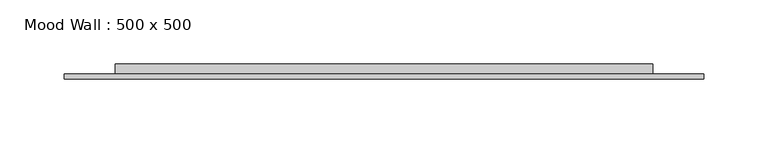
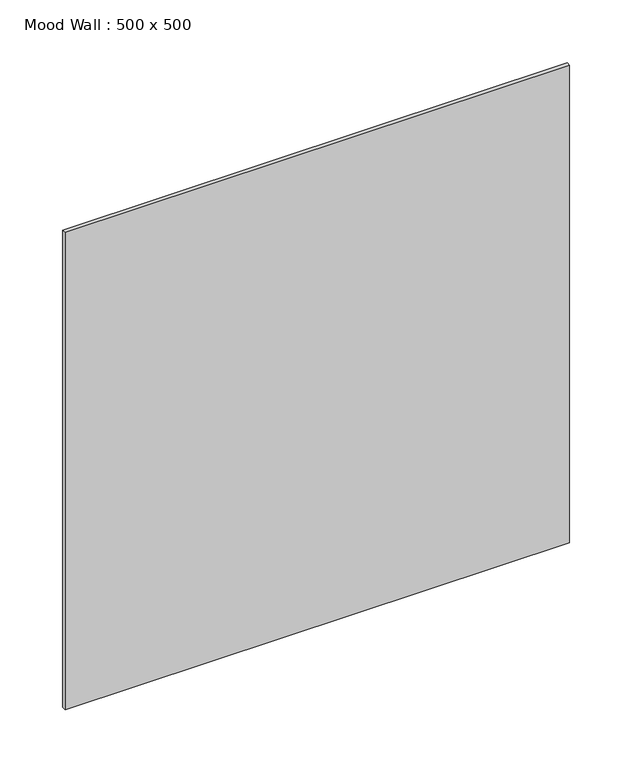
"""IFC4 building model written with IfcOpenShell, lengths in millimetres: furniture geometry, Mood Wall : 500 x 500."""

from ifc_helpers import new_model, si_unit, frame, origin, origin_with_axes, place, context, project, spatial, polyline, outline, extrude, source, transform, mapped, element, save


def mood_wall_500_x_500_a2a8b271(model_context):
    return source(origin(), model_context, "Body", "SweptSolid", [
        extrude(outline(polyline([(249.9816406, -8.0), (249.9816406, -12.0), (-249.9816406, -12.0), (-249.9816406, -8.0), (249.9816406, -8.0)])), origin_with_axes(), (0.0, 0.0, 1.0), 499.9632813),
        extrude(outline(polyline([(209.9816406, 0.0), (209.9816406, -8.0), (-209.9816406, -8.0), (-209.9816406, 0.0), (209.9816406, 0.0)])), frame((0.0, 0.0, 40.0), z_axis=(0.0, 0.0, 1.0), x_axis=(1.0, 0.0, 0.0)), (0.0, 0.0, 1.0), 419.9632812),
    ])


if __name__ == "__main__":
    model = new_model("IFC4")
    model_context = context("Model", 3, world=origin())
    ifc_project = project(units=[si_unit("LENGTHUNIT", "METRE", prefix="MILLI")], contexts=[model_context])
    site = spatial("IfcSite", under=ifc_project)
    building = spatial("IfcBuilding", under=site)
    placement = place(None, origin())
    mood_wall_500_x_500_shape = mood_wall_500_x_500_a2a8b271(model_context)
    element("IfcFurniture", 1, ObjectType="Mood Wall : 500 x 500", at=placement, inside=building, context=model_context, shape_type="MappedRepresentation", body=[
        mapped(mood_wall_500_x_500_shape, transform((0.0, 0.0, 0.0), x_axis=(1.0, 0.0, 0.0), y_axis=(0.0, 1.0, 0.0), z_axis=(0.0, 0.0, 1.0))),
    ])
    save(model, "model.ifc")
